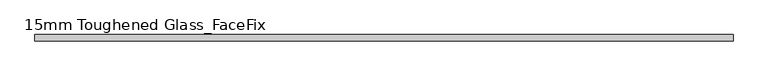
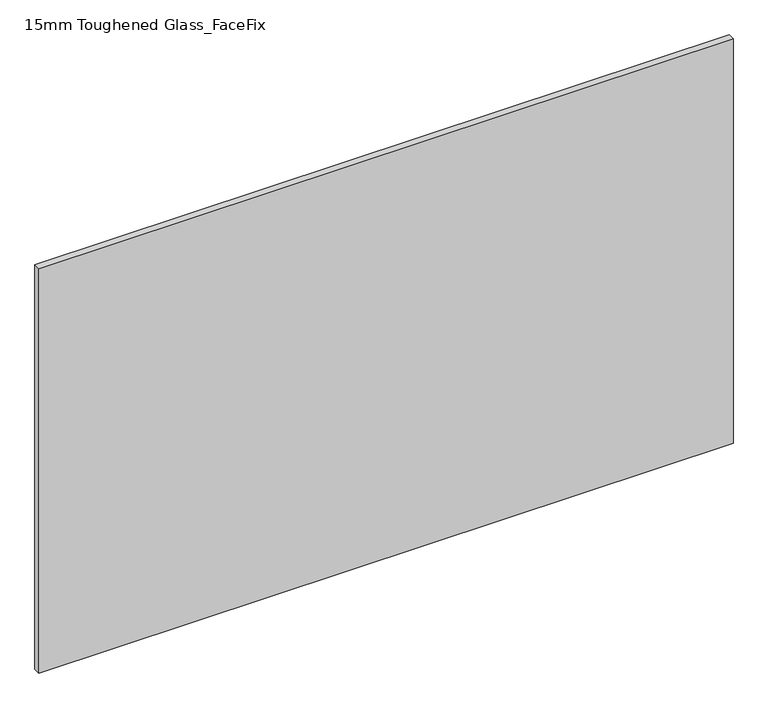
"""IFC4 building model written with IfcOpenShell, lengths in millimetres: plate geometry, 15mm Toughened Glass_FaceFix."""

import ifcopenshell
import ifcopenshell.guid

model = None  # the IFC model being written
_history = None  # IfcOwnerHistory: only IFC2X3 demands one
_inside = {}  # id of a spatial element -> (the spatial element, [elements in it])
_under = {}  # id of a project, library or spatial element -> (it, [spatial elements below it])
_declared = {}  # id of a project -> (the project, [libraries it declares])
_typed = {}  # id of a type object -> (the type object, [elements of that type])
_made_of = {}  # id of a material, layer set ... -> (it, [elements and type objects made of it])


def new_model(schema):
    """Start an empty IFC model of exactly this schema.

    Asked for "IFC4X3", IfcOpenShell would pick the latest addendum, in which some entities
    have other attributes; the version numbers below select the first issue.
    IFC2X3 requires an IfcOwnerHistory on every rooted entity: one is made here for all.
    """
    global model, _history
    if schema == "IFC4X3":
        model = ifcopenshell.file(schema_version=(4, 3, 0, 0))
    else:
        model = ifcopenshell.file(schema=schema)
    _inside.clear()
    _under.clear()
    _declared.clear()
    _typed.clear()
    _made_of.clear()
    _history = None
    if model.schema == "IFC2X3":
        org = make("IfcOrganization", Name="unknown")
        user = make(
            "IfcPersonAndOrganization",
            ThePerson=make("IfcPerson", FamilyName="unknown"),
            TheOrganization=org,
        )
        app = make(
            "IfcApplication",
            ApplicationDeveloper=org,
            Version="unknown",
            ApplicationFullName="unknown",
            ApplicationIdentifier="unknown",
        )
        _history = make(
            "IfcOwnerHistory",
            OwningUser=user,
            OwningApplication=app,
            ChangeAction="ADDED",
            CreationDate=0,
        )
    return model


def make(cls, **values):
    """One entity of the class cls with the attributes given. An attribute that is None is left unset."""
    return model.create_entity(
        cls, **{name: value for name, value in values.items() if value is not None}
    )


def rooted(cls, **values):
    """An entity with a GlobalId (a new one), such as an element, a storey or a relation."""
    return make(cls, GlobalId=ifcopenshell.guid.new(), OwnerHistory=_history, **values)


def si_unit(unit_type, name, prefix=None):
    """IfcSIUnit, for example si_unit("LENGTHUNIT", "METRE", prefix="MILLI")."""
    return make("IfcSIUnit", UnitType=unit_type, Prefix=prefix, Name=name)


def assignment(units):
    """IfcUnitAssignment: the units of a project."""
    return None if units is None else make("IfcUnitAssignment", Units=units)


def point(xyz):
    """IfcCartesianPoint."""
    return None if xyz is None else make("IfcCartesianPoint", Coordinates=xyz)


def direction(xyz):
    """IfcDirection."""
    return None if xyz is None else make("IfcDirection", DirectionRatios=xyz)


def frame(location, z_axis=None, x_axis=None):
    """IfcAxis2Placement3D, a coordinate frame: its origin and axes. An axis left out is left unset."""
    return make(
        "IfcAxis2Placement3D",
        Location=point(location),
        Axis=direction(z_axis),
        RefDirection=direction(x_axis),
    )


def origin():
    """The frame at (0, 0, 0) with its axes left unset."""
    return frame((0.0, 0.0, 0.0))


def origin_with_axes():
    """The frame at (0, 0, 0) with the z axis (0, 0, 1) and the x axis (1, 0, 0) written out."""
    return frame((0.0, 0.0, 0.0), z_axis=(0.0, 0.0, 1.0), x_axis=(1.0, 0.0, 0.0))


def place(relative_to, where):
    """IfcLocalPlacement: puts the frame where relative to a parent placement (None: the world)."""
    return make(
        "IfcLocalPlacement", PlacementRelTo=relative_to, RelativePlacement=where
    )


def context(
    kind, dimensions, precision=None, world=None, true_north=None, identifier=None
):
    """IfcGeometricRepresentationContext, for example the 3D "Model" context."""
    return make(
        "IfcGeometricRepresentationContext",
        ContextIdentifier=identifier,
        ContextType=kind,
        CoordinateSpaceDimension=dimensions,
        Precision=precision,
        WorldCoordinateSystem=world,
        TrueNorth=true_north,
    )


def project(units=None, contexts=None):
    """IfcProject with its units and contexts."""
    return rooted(
        "IfcProject",
        Name="project",
        RepresentationContexts=contexts,
        UnitsInContext=assignment(units),
    )


def spatial(cls, under=None, at=None, **own):
    """A site, building, storey or space (cls), placed at a placement, below another one or the project."""
    s = rooted(cls, ObjectPlacement=at, **own)
    if under is not None:
        _under.setdefault(under.id(), (under, []))[1].append(s)
    return s


def polyline(points):
    """IfcPolyline through the points."""
    return make("IfcPolyline", Points=[point(p) for p in points])


def outline(outer, holes=None, kind="AREA"):
    """IfcArbitraryClosedProfileDef: a profile drawn as a closed curve; with holes, ...WithVoids."""
    if holes is None:
        return make("IfcArbitraryClosedProfileDef", ProfileType=kind, OuterCurve=outer)
    return make(
        "IfcArbitraryProfileDefWithVoids",
        ProfileType=kind,
        OuterCurve=outer,
        InnerCurves=holes,
    )


def extrude(swept, where, along, depth):
    """IfcExtrudedAreaSolid: the profile swept, set in the frame where, extruded along a direction by depth."""
    return make(
        "IfcExtrudedAreaSolid",
        SweptArea=swept,
        Position=where,
        ExtrudedDirection=direction(along),
        Depth=depth,
    )


def shape(context_of_items, identifier, shape_type, items):
    """IfcShapeRepresentation: the items that make up one representation, for example the "Body"."""
    return make(
        "IfcShapeRepresentation",
        ContextOfItems=context_of_items,
        RepresentationIdentifier=identifier,
        RepresentationType=shape_type,
        Items=items,
    )


def source(mapping_origin, context_of_items, identifier, shape_type, items):
    """IfcRepresentationMap: a shape defined once, which mapped items show again and again."""
    return make(
        "IfcRepresentationMap",
        MappingOrigin=mapping_origin,
        MappedRepresentation=shape(context_of_items, identifier, shape_type, items),
    )


def transform(
    local_origin,
    x_axis=None,
    y_axis=None,
    z_axis=None,
    scale=None,
    scale2=None,
    scale3=None,
    uniform=True,
):
    """IfcCartesianTransformationOperator3D, or its non-uniform kind. x_axis, y_axis, z_axis: its Axis1, 2, 3."""
    if uniform:
        return make(
            "IfcCartesianTransformationOperator3D",
            Axis1=direction(x_axis),
            Axis2=direction(y_axis),
            LocalOrigin=point(local_origin),
            Scale=scale,
            Axis3=direction(z_axis),
        )
    return make(
        "IfcCartesianTransformationOperator3DnonUniform",
        Axis1=direction(x_axis),
        Axis2=direction(y_axis),
        LocalOrigin=point(local_origin),
        Scale=scale,
        Axis3=direction(z_axis),
        Scale2=scale2,
        Scale3=scale3,
    )


def mapped(mapping_source, mapping_target):
    """IfcMappedItem: shows the shape of a source again, moved by a transform."""
    return make(
        "IfcMappedItem", MappingSource=mapping_source, MappingTarget=mapping_target
    )


def made_of(thing, what):
    """Note that an element or type object is made of a material, layer set ...; save() writes the relation."""
    if what is not None:
        _made_of.setdefault(what.id(), (what, []))[1].append(thing)
    return thing


def element(
    cls,
    number,
    at=None,
    inside=None,
    cuts=None,
    type_object=None,
    material=None,
    context=None,
    identifier="Body",
    shape_type=None,
    held_by="IfcProductDefinitionShape",
    body=None,
    shapes=None,
    **own,
):
    """One element of the class cls, such as IfcWall. Its Tag is "e" and its number.

    at: its placement. inside: the storey or other place that contains it. cuts: it is an
    opening in that element (IfcRelVoidsElement). A single representation is given by context,
    identifier, shape_type and body (its items); several are given by shapes. held_by: the class
    of the entity that holds the representations. save() writes the other relations.
    """
    e = rooted(cls, Tag="e%d" % number, ObjectPlacement=at, **own)
    if body is not None:
        shapes = [shape(context, identifier, shape_type, body)]
    if shapes is not None:
        e.Representation = make(held_by, Representations=shapes)
    if inside is not None:
        _inside.setdefault(inside.id(), (inside, []))[1].append(e)
    if cuts is not None:
        rooted(
            "IfcRelVoidsElement", RelatingBuildingElement=cuts, RelatedOpeningElement=e
        )
    if type_object is not None:
        _typed.setdefault(type_object.id(), (type_object, []))[1].append(e)
    return made_of(e, material)


def aggregate(whole, parts):
    """IfcRelAggregates: a whole, such as a stair, and the parts it consists of."""
    return rooted("IfcRelAggregates", RelatingObject=whole, RelatedObjects=parts)


def save(model, path):
    """Write the relations noted so far, then the file.

    IfcRelAggregates (storeys below a building ...), IfcRelContainedInSpatialStructure (elements
    in a storey), IfcRelDefinesByType, IfcRelAssociatesMaterial and IfcRelDeclares: one each for
    every whole, place, type object, material and project.
    """
    for whole, parts in _under.values():
        aggregate(whole, parts)
    for where, things in _inside.values():
        rooted(
            "IfcRelContainedInSpatialStructure",
            RelatedElements=things,
            RelatingStructure=where,
        )
    for kind, things in _typed.values():
        rooted("IfcRelDefinesByType", RelatedObjects=things, RelatingType=kind)
    for what, things in _made_of.values():
        rooted("IfcRelAssociatesMaterial", RelatedObjects=things, RelatingMaterial=what)
    for by, libraries in _declared.values():
        rooted("IfcRelDeclares", RelatingContext=by, RelatedDefinitions=libraries)
    model.write(path)


def plate_15mm_toughened_glass_facefix_d9fcd3b1(model_context):
    return source(origin(), model_context, "Body", "SweptSolid", [
        extrude(outline(polyline([(795.0000001, -24.5), (795.0000001, -39.5), (-795.0000001, -39.5), (-795.0000001, -24.5), (795.0000001, -24.5)])), origin_with_axes(), (0.0, 0.0, 1.0), 979.0),
    ])


if __name__ == "__main__":
    model = new_model("IFC4")
    model_context = context("Model", 3, world=origin())
    ifc_project = project(units=[si_unit("LENGTHUNIT", "METRE", prefix="MILLI")], contexts=[model_context])
    site = spatial("IfcSite", under=ifc_project)
    building = spatial("IfcBuilding", under=site)
    placement = place(None, origin())
    plate_15mm_toughened_glass_facefix_shape = plate_15mm_toughened_glass_facefix_d9fcd3b1(model_context)
    element("IfcPlate", 1, ObjectType="15mm Toughened Glass_FaceFix", at=placement, inside=building, context=model_context, shape_type="MappedRepresentation", body=[
        mapped(plate_15mm_toughened_glass_facefix_shape, transform((0.0, 0.0, 0.0), x_axis=(1.0, 0.0, 0.0), y_axis=(0.0, 1.0, 0.0), z_axis=(0.0, 0.0, 1.0))),
    ])
    save(model, "model.ifc")
